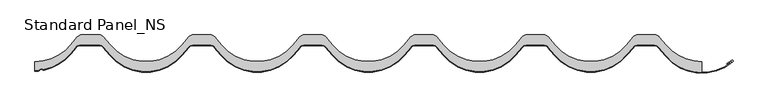
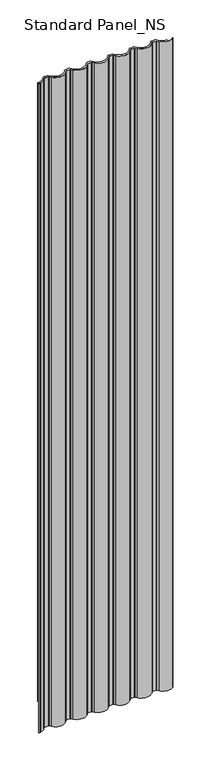
"""IFC4 building model written with IfcOpenShell, lengths in millimetres: proxy geometry, Standard Panel_NS."""

from ifc_helpers import new_model, si_unit, point, frame, frame_2d, origin, origin_with_axes, place, context, project, spatial, polyline, circle_curve, trimmed, segment, composite_curve, outline, extrude, source, transform, mapped, element, save


def standard_panel_ns_76dea0c3(model_context):
    return source(origin(), model_context, "Body", "SweptSolid", [
        extrude(outline(composite_curve([segment(polyline([(-445.9357723, -14.7894789), (-436.1486229, -3.1256084)]), True, "CONTINUOUS"), segment(trimmed(circle_curve(frame_2d((-429.445734, -8.75)), 8.75), [point((-436.1486229, -3.1256084))], [point((-429.445734, 0.0))], False, "CARTESIAN"), True, "CONTINUOUS"), segment(polyline([(-429.445734, 0.0), (-403.8880846, 0.0)]), True, "CONTINUOUS"), segment(trimmed(circle_curve(frame_2d((-403.8880846, -8.75)), 8.75), [point((-403.8880846, 0.0))], [point((-397.1851957, -3.1256084))], False, "CARTESIAN"), True, "CONTINUOUS"), segment(polyline([(-397.1851957, -3.1256084), (-387.3980463, -14.7894789)]), True, "CONTINUOUS"), segment(trimmed(circle_curve(frame_2d((-333.3339093, 30.5757185)), 70.5757185), [point((-387.3980463, -14.7894789))], [point((-279.2697723, -14.7894789))], True, "CARTESIAN"), True, "CONTINUOUS"), segment(polyline([(-279.2697723, -14.7894789), (-269.4826229, -3.1256084)]), True, "CONTINUOUS"), segment(trimmed(circle_curve(frame_2d((-262.779734, -8.75)), 8.75), [point((-269.4826229, -3.1256084))], [point((-262.779734, 0.0))], False, "CARTESIAN"), True, "CONTINUOUS"), segment(polyline([(-262.779734, 0.0), (-237.2220846, 0.0)]), True, "CONTINUOUS"), segment(trimmed(circle_curve(frame_2d((-237.2220846, -8.75)), 8.75), [point((-237.2220846, 0.0))], [point((-230.5191957, -3.1256084))], False, "CARTESIAN"), True, "CONTINUOUS"), segment(polyline([(-230.5191957, -3.1256084), (-220.7320463, -14.7894789)]), True, "CONTINUOUS"), segment(trimmed(circle_curve(frame_2d((-166.6679093, 30.5757185)), 70.5757185), [point((-220.7320463, -14.7894789))], [point((-112.6037723, -14.7894789))], True, "CARTESIAN"), True, "CONTINUOUS"), segment(polyline([(-112.6037723, -14.7894789), (-102.8166229, -3.1256084)]), True, "CONTINUOUS"), segment(trimmed(circle_curve(frame_2d((-96.113734, -8.75)), 8.75), [point((-102.8166229, -3.1256084))], [point((-96.113734, 0.0))], False, "CARTESIAN"), True, "CONTINUOUS"), segment(polyline([(-96.113734, 0.0), (-70.5560846, 0.0)]), True, "CONTINUOUS"), segment(trimmed(circle_curve(frame_2d((-70.5560846, -8.75)), 8.75), [point((-70.5560846, 0.0))], [point((-63.8531957, -3.1256084))], False, "CARTESIAN"), True, "CONTINUOUS"), segment(polyline([(-63.8531957, -3.1256084), (-54.0660463, -14.7894789)]), True, "CONTINUOUS"), segment(trimmed(circle_curve(frame_2d((-0.0019093, 30.5757185)), 70.5757185), [point((-54.0660463, -14.7894789))], [point((54.0622277, -14.7894789))], True, "CARTESIAN"), True, "CONTINUOUS"), segment(polyline([(54.0622277, -14.7894789), (63.8493771, -3.1256084)]), True, "CONTINUOUS"), segment(trimmed(circle_curve(frame_2d((70.552266, -8.75)), 8.75), [point((63.8493771, -3.1256084))], [point((70.552266, 0.0))], False, "CARTESIAN"), True, "CONTINUOUS"), segment(polyline([(70.552266, 0.0), (96.1099154, 0.0)]), True, "CONTINUOUS"), segment(trimmed(circle_curve(frame_2d((96.1099154, -8.75)), 8.75), [point((96.1099154, 0.0))], [point((102.8128043, -3.1256084))], False, "CARTESIAN"), True, "CONTINUOUS"), segment(polyline([(102.8128043, -3.1256084), (112.5999537, -14.7894789)]), True, "CONTINUOUS"), segment(trimmed(circle_curve(frame_2d((166.6640907, 30.5757185)), 70.5757185), [point((112.5999537, -14.7894789))], [point((220.7282277, -14.7894789))], True, "CARTESIAN"), True, "CONTINUOUS"), segment(polyline([(220.7282277, -14.7894789), (230.5153771, -3.1256084)]), True, "CONTINUOUS"), segment(trimmed(circle_curve(frame_2d((237.218266, -8.75)), 8.75), [point((230.5153771, -3.1256084))], [point((237.218266, 0.0))], False, "CARTESIAN"), True, "CONTINUOUS"), segment(polyline([(237.218266, 0.0), (262.7759154, 0.0)]), True, "CONTINUOUS"), segment(trimmed(circle_curve(frame_2d((262.7759154, -8.75)), 8.75), [point((262.7759154, 0.0))], [point((269.4788043, -3.1256084))], False, "CARTESIAN"), True, "CONTINUOUS"), segment(polyline([(269.4788043, -3.1256084), (279.2659537, -14.7894789)]), True, "CONTINUOUS"), segment(trimmed(circle_curve(frame_2d((333.3300907, 30.5757185)), 70.5757185), [point((279.2659537, -14.7894789))], [point((387.3942277, -14.7894789))], True, "CARTESIAN"), True, "CONTINUOUS"), segment(polyline([(387.3942277, -14.7894789), (397.1813771, -3.1256084)]), True, "CONTINUOUS"), segment(trimmed(circle_curve(frame_2d((403.884266, -8.75)), 8.75), [point((397.1813771, -3.1256084))], [point((403.884266, 0.0))], False, "CARTESIAN"), True, "CONTINUOUS"), segment(polyline([(403.884266, 0.0), (429.4425754, 0.0)]), True, "CONTINUOUS"), segment(trimmed(circle_curve(frame_2d((429.4425754, -8.75)), 8.75), [point((429.4425754, 0.0))], [point((436.2053545, -3.1977644))], False, "CARTESIAN"), True, "CONTINUOUS"), segment(polyline([(436.2053545, -3.1977644), (445.9341202, -14.7912741)]), True, "CONTINUOUS"), segment(trimmed(circle_curve(frame_2d((499.9967507, 30.5757185)), 70.5757185), [point((445.9341202, -14.7912741))], [point((499.9999093, -39.9999999))], True, "CARTESIAN"), True, "CONTINUOUS"), segment(polyline([(499.9999093, -39.9999999), (499.9999093, -56.5627177)]), True, "CONTINUOUS"), segment(trimmed(circle_curve(frame_2d((499.996521, 13.5131508)), 70.0758685), [point((499.9999093, -56.5627177))], [point((446.3159032, -31.5314785))], False, "CARTESIAN"), True, "CONTINUOUS"), segment(polyline([(446.3159032, -31.5314785), (435.3078488, -18.412952)]), True, "CONTINUOUS"), segment(trimmed(circle_curve(frame_2d((427.9886198, -24.5546837)), 9.5546837), [point((435.3078488, -18.412952))], [point((427.9886198, -15.0))], True, "CARTESIAN"), True, "CONTINUOUS"), segment(polyline([(427.9886198, -15.0), (403.8841753, -15.0)]), True, "CONTINUOUS"), segment(trimmed(circle_curve(frame_2d((403.8841753, -24.25)), 9.25), [point((403.8841753, -15.0))], [point((396.7982642, -18.3042146))], True, "CARTESIAN"), True, "CONTINUOUS"), segment(polyline([(396.7982642, -18.3042146), (387.0111148, -29.9680851)]), True, "CONTINUOUS"), segment(trimmed(circle_curve(frame_2d((333.33, 15.0757185)), 70.0757185), [point((387.0111148, -29.9680851))], [point((279.6488852, -29.9680851))], False, "CARTESIAN"), True, "CONTINUOUS"), segment(polyline([(279.6488852, -29.9680851), (269.8617358, -18.3042146)]), True, "CONTINUOUS"), segment(trimmed(circle_curve(frame_2d((262.7758247, -24.25)), 9.25), [point((269.8617358, -18.3042146))], [point((262.7758247, -15.0))], True, "CARTESIAN"), True, "CONTINUOUS"), segment(polyline([(262.7758247, -15.0), (237.2181753, -15.0)]), True, "CONTINUOUS"), segment(trimmed(circle_curve(frame_2d((237.2181753, -24.25)), 9.25), [point((237.2181753, -15.0))], [point((230.1322642, -18.3042146))], True, "CARTESIAN"), True, "CONTINUOUS"), segment(polyline([(230.1322642, -18.3042146), (220.3451148, -29.9680851)]), True, "CONTINUOUS"), segment(trimmed(circle_curve(frame_2d((166.664, 15.0757185)), 70.0757185), [point((220.3451148, -29.9680851))], [point((112.9828852, -29.9680851))], False, "CARTESIAN"), True, "CONTINUOUS"), segment(polyline([(112.9828852, -29.9680851), (103.1957358, -18.3042146)]), True, "CONTINUOUS"), segment(trimmed(circle_curve(frame_2d((96.1098247, -24.25)), 9.25), [point((103.1957358, -18.3042146))], [point((96.1098247, -15.0))], True, "CARTESIAN"), True, "CONTINUOUS"), segment(polyline([(96.1098247, -15.0), (70.5521753, -15.0)]), True, "CONTINUOUS"), segment(trimmed(circle_curve(frame_2d((70.5521753, -24.25)), 9.25), [point((70.5521753, -15.0))], [point((63.4662642, -18.3042146))], True, "CARTESIAN"), True, "CONTINUOUS"), segment(polyline([(63.4662642, -18.3042146), (53.6791148, -29.9680851)]), True, "CONTINUOUS"), segment(trimmed(circle_curve(frame_2d((-0.002, 15.0757185)), 70.0757185), [point((53.6791148, -29.9680851))], [point((-53.6831148, -29.9680851))], False, "CARTESIAN"), True, "CONTINUOUS"), segment(polyline([(-53.6831148, -29.9680851), (-63.4702642, -18.3042146)]), True, "CONTINUOUS"), segment(trimmed(circle_curve(frame_2d((-70.5561753, -24.25)), 9.25), [point((-63.4702642, -18.3042146))], [point((-70.5561753, -15.0))], True, "CARTESIAN"), True, "CONTINUOUS"), segment(polyline([(-70.5561753, -15.0), (-96.1138247, -15.0)]), True, "CONTINUOUS"), segment(trimmed(circle_curve(frame_2d((-96.1138247, -24.25)), 9.25), [point((-96.1138247, -15.0))], [point((-103.1997358, -18.3042146))], True, "CARTESIAN"), True, "CONTINUOUS"), segment(polyline([(-103.1997358, -18.3042146), (-112.9868852, -29.9680851)]), True, "CONTINUOUS"), segment(trimmed(circle_curve(frame_2d((-166.668, 15.0757185)), 70.0757185), [point((-112.9868852, -29.9680851))], [point((-220.3491148, -29.9680851))], False, "CARTESIAN"), True, "CONTINUOUS"), segment(polyline([(-220.3491148, -29.9680851), (-230.1362642, -18.3042146)]), True, "CONTINUOUS"), segment(trimmed(circle_curve(frame_2d((-237.2221753, -24.25)), 9.25), [point((-230.1362642, -18.3042146))], [point((-237.2221753, -15.0))], True, "CARTESIAN"), True, "CONTINUOUS"), segment(polyline([(-237.2221753, -15.0), (-262.7798247, -15.0)]), True, "CONTINUOUS"), segment(trimmed(circle_curve(frame_2d((-262.7798247, -24.25)), 9.25), [point((-262.7798247, -15.0))], [point((-269.8657358, -18.3042146))], True, "CARTESIAN"), True, "CONTINUOUS"), segment(polyline([(-269.8657358, -18.3042146), (-279.6528852, -29.9680851)]), True, "CONTINUOUS"), segment(trimmed(circle_curve(frame_2d((-333.334, 15.0757185)), 70.0757185), [point((-279.6528852, -29.9680851))], [point((-387.0151148, -29.9680851))], False, "CARTESIAN"), True, "CONTINUOUS"), segment(polyline([(-387.0151148, -29.9680851), (-396.8022642, -18.3042146)]), True, "CONTINUOUS"), segment(trimmed(circle_curve(frame_2d((-403.8881753, -24.25)), 9.25), [point((-396.8022642, -18.3042146))], [point((-403.8881753, -15.0))], True, "CARTESIAN"), True, "CONTINUOUS"), segment(polyline([(-403.8881753, -15.0), (-431.8806851, -15.0)]), True, "CONTINUOUS"), segment(trimmed(circle_curve(frame_2d((-431.8806851, -24.25)), 9.25), [point((-431.8806851, -15.0))], [point((-438.9665962, -18.3042146))], True, "CARTESIAN"), True, "CONTINUOUS"), segment(trimmed(circle_curve(frame_2d((987.1713371, -1214.9760284)), 1861.6908536), [point((-438.9665962, -18.3042146))], [point((-447.2982034, -28.3042238))], True, "CARTESIAN"), True, "CONTINUOUS"), segment(trimmed(circle_curve(frame_2d((-500.2495937, 15.5000677)), 68.7216537), [point((-447.2982034, -28.3042238))], [point((-486.0111787, -51.7303809))], False, "CARTESIAN"), True, "CONTINUOUS"), segment(trimmed(circle_curve(frame_2d((-486.596017, -48.9689117)), 2.82272), [point((-486.0111787, -51.7303809))], [point((-488.0869852, -51.365735))], False, "CARTESIAN"), True, "CONTINUOUS"), segment(trimmed(circle_curve(frame_2d((-490.3061485, -54.8018214)), 4.0904004), [point((-488.0869852, -51.365735))], [point((-493.4260619, -52.1565397))], True, "CARTESIAN"), True, "CONTINUOUS"), segment(trimmed(circle_curve(frame_2d((-495.5188215, -50.4050302)), 2.7289977), [point((-493.4260619, -52.1565397))], [point((-495.2868953, -53.1241548))], False, "CARTESIAN"), True, "CONTINUOUS"), segment(trimmed(circle_curve(frame_2d((-500.0, 16.7775841)), 70.0604486), [point((-495.2868953, -53.1241548))], [point((-499.9999093, -53.2828645))], False, "CARTESIAN"), True, "CONTINUOUS"), segment(polyline([(-499.9999093, -53.2828645), (-499.9999093, -40.0)]), True, "CONTINUOUS"), segment(trimmed(circle_curve(frame_2d((-499.9999093, 30.5757185)), 70.5757185), [point((-499.9999093, -40.0))], [point((-445.9357723, -14.7894789))], True, "CARTESIAN"), True, "CONTINUOUS")], self_intersect=False)), origin_with_axes(), (0.0, 0.0, 1.0), 5055.937104),
        extrude(outline(composite_curve([segment(trimmed(circle_curve(frame_2d((-495.5188215, -50.4050302)), 2.7289977), [point((-495.2868953, -53.1241548))], [point((-493.4260619, -52.1565397))], True, "CARTESIAN"), True, "CONTINUOUS"), segment(trimmed(circle_curve(frame_2d((-490.3061485, -54.8018214)), 4.0904004), [point((-493.4260619, -52.1565397))], [point((-488.0869852, -51.365735))], False, "CARTESIAN"), True, "CONTINUOUS"), segment(trimmed(circle_curve(frame_2d((-486.596017, -48.9689117)), 2.82272), [point((-488.0869852, -51.365735))], [point((-486.0111787, -51.7303809))], True, "CARTESIAN"), True, "CONTINUOUS"), segment(trimmed(circle_curve(frame_2d((-500.2495937, 15.5000677)), 68.7216537), [point((-486.0111787, -51.7303809))], [point((-447.2982034, -28.3042238))], True, "CARTESIAN"), True, "CONTINUOUS"), segment(trimmed(circle_curve(frame_2d((987.1713371, -1214.9760284)), 1861.6908536), [point((-447.2982034, -28.3042238))], [point((-438.9665962, -18.3042146))], False, "CARTESIAN"), True, "CONTINUOUS"), segment(trimmed(circle_curve(frame_2d((-431.8806851, -24.25)), 9.25), [point((-438.9665962, -18.3042146))], [point((-431.8806851, -15.0))], False, "CARTESIAN"), True, "CONTINUOUS"), segment(polyline([(-431.8806851, -15.0), (-403.8881753, -15.0)]), True, "CONTINUOUS"), segment(trimmed(circle_curve(frame_2d((-403.8881753, -24.25)), 9.25), [point((-403.8881753, -15.0))], [point((-396.8022642, -18.3042146))], False, "CARTESIAN"), True, "CONTINUOUS"), segment(polyline([(-396.8022642, -18.3042146), (-387.0151148, -29.9680851)]), True, "CONTINUOUS"), segment(trimmed(circle_curve(frame_2d((-333.334, 15.0757185)), 70.0757185), [point((-387.0151148, -29.9680851))], [point((-279.6528852, -29.9680851))], True, "CARTESIAN"), True, "CONTINUOUS"), segment(polyline([(-279.6528852, -29.9680851), (-269.8657358, -18.3042146)]), True, "CONTINUOUS"), segment(trimmed(circle_curve(frame_2d((-262.7798247, -24.25)), 9.25), [point((-269.8657358, -18.3042146))], [point((-262.7798247, -15.0))], False, "CARTESIAN"), True, "CONTINUOUS"), segment(polyline([(-262.7798247, -15.0), (-237.2221753, -15.0)]), True, "CONTINUOUS"), segment(trimmed(circle_curve(frame_2d((-237.2221753, -24.25)), 9.25), [point((-237.2221753, -15.0))], [point((-230.1362642, -18.3042146))], False, "CARTESIAN"), True, "CONTINUOUS"), segment(polyline([(-230.1362642, -18.3042146), (-220.3491148, -29.9680851)]), True, "CONTINUOUS"), segment(trimmed(circle_curve(frame_2d((-166.668, 15.0757185)), 70.0757185), [point((-220.3491148, -29.9680851))], [point((-112.9868852, -29.9680851))], True, "CARTESIAN"), True, "CONTINUOUS"), segment(polyline([(-112.9868852, -29.9680851), (-103.1997358, -18.3042146)]), True, "CONTINUOUS"), segment(trimmed(circle_curve(frame_2d((-96.1138247, -24.25)), 9.25), [point((-103.1997358, -18.3042146))], [point((-96.1138247, -15.0))], False, "CARTESIAN"), True, "CONTINUOUS"), segment(polyline([(-96.1138247, -15.0), (-70.5561753, -15.0)]), True, "CONTINUOUS"), segment(trimmed(circle_curve(frame_2d((-70.5561753, -24.25)), 9.25), [point((-70.5561753, -15.0))], [point((-63.4702642, -18.3042146))], False, "CARTESIAN"), True, "CONTINUOUS"), segment(polyline([(-63.4702642, -18.3042146), (-53.6831148, -29.9680851)]), True, "CONTINUOUS"), segment(trimmed(circle_curve(frame_2d((-0.002, 15.0757185)), 70.0757185), [point((-53.6831148, -29.9680851))], [point((53.6791148, -29.9680851))], True, "CARTESIAN"), True, "CONTINUOUS"), segment(polyline([(53.6791148, -29.9680851), (63.4662642, -18.3042146)]), True, "CONTINUOUS"), segment(trimmed(circle_curve(frame_2d((70.5521753, -24.25)), 9.25), [point((63.4662642, -18.3042146))], [point((70.5521753, -15.0))], False, "CARTESIAN"), True, "CONTINUOUS"), segment(polyline([(70.5521753, -15.0), (96.1098247, -15.0)]), True, "CONTINUOUS"), segment(trimmed(circle_curve(frame_2d((96.1098247, -24.25)), 9.25), [point((96.1098247, -15.0))], [point((103.1957358, -18.3042146))], False, "CARTESIAN"), True, "CONTINUOUS"), segment(polyline([(103.1957358, -18.3042146), (112.9828852, -29.9680851)]), True, "CONTINUOUS"), segment(trimmed(circle_curve(frame_2d((166.664, 15.0757185)), 70.0757185), [point((112.9828852, -29.9680851))], [point((220.3451148, -29.9680851))], True, "CARTESIAN"), True, "CONTINUOUS"), segment(polyline([(220.3451148, -29.9680851), (230.1322642, -18.3042146)]), True, "CONTINUOUS"), segment(trimmed(circle_curve(frame_2d((237.2181753, -24.25)), 9.25), [point((230.1322642, -18.3042146))], [point((237.2181753, -15.0))], False, "CARTESIAN"), True, "CONTINUOUS"), segment(polyline([(237.2181753, -15.0), (262.7758247, -15.0)]), True, "CONTINUOUS"), segment(trimmed(circle_curve(frame_2d((262.7758247, -24.25)), 9.25), [point((262.7758247, -15.0))], [point((269.8617358, -18.3042146))], False, "CARTESIAN"), True, "CONTINUOUS"), segment(polyline([(269.8617358, -18.3042146), (279.6488852, -29.9680851)]), True, "CONTINUOUS"), segment(trimmed(circle_curve(frame_2d((333.33, 15.0757185)), 70.0757185), [point((279.6488852, -29.9680851))], [point((387.0111148, -29.9680851))], True, "CARTESIAN"), True, "CONTINUOUS"), segment(polyline([(387.0111148, -29.9680851), (396.7982642, -18.3042146)]), True, "CONTINUOUS"), segment(trimmed(circle_curve(frame_2d((403.8841753, -24.25)), 9.25), [point((396.7982642, -18.3042146))], [point((403.8841753, -15.0))], False, "CARTESIAN"), True, "CONTINUOUS"), segment(polyline([(403.8841753, -15.0), (427.9886198, -15.0)]), True, "CONTINUOUS"), segment(trimmed(circle_curve(frame_2d((427.9886198, -24.5546837)), 9.5546837), [point((427.9886198, -15.0))], [point((435.3078488, -18.412952))], False, "CARTESIAN"), True, "CONTINUOUS"), segment(polyline([(435.3078488, -18.412952), (446.3159032, -31.5314785)]), True, "CONTINUOUS"), segment(trimmed(circle_curve(frame_2d((499.996521, 13.5131508)), 70.0758685), [point((446.3159032, -31.5314785))], [point((545.7576616, -39.5579841))], True, "CARTESIAN"), True, "CONTINUOUS"), segment(trimmed(circle_curve(frame_2d((545.510792, -39.3124043)), 0.3482155), [point((545.7576616, -39.5579841))], [point((545.2774084, -39.0539742))], True, "CARTESIAN"), True, "CONTINUOUS"), segment(polyline([(545.2774084, -39.0539742), (537.7639543, -44.2869139), (537.1924344, -43.4663257), (544.6709926, -38.2576901)]), True, "CONTINUOUS"), segment(trimmed(circle_curve(frame_2d((545.510792, -39.3124043)), 1.3482155), [point((544.6709926, -38.2576901))], [point((546.4302848, -40.2984155))], False, "CARTESIAN"), True, "CONTINUOUS"), segment(trimmed(circle_curve(frame_2d((499.996521, 13.5131508)), 71.0758685), [point((546.4302848, -40.2984155))], [point((445.5498675, -32.1742765))], False, "CARTESIAN"), True, "CONTINUOUS"), segment(polyline([(445.5498675, -32.1742765), (434.541813, -19.05575)]), True, "CONTINUOUS"), segment(trimmed(circle_curve(frame_2d((427.9886198, -24.5546837)), 8.5546837), [point((434.541813, -19.05575))], [point((427.9886198, -16.0))], True, "CARTESIAN"), True, "CONTINUOUS"), segment(polyline([(427.9886198, -16.0), (403.8841753, -16.0)]), True, "CONTINUOUS"), segment(trimmed(circle_curve(frame_2d((403.8841753, -24.25)), 8.25), [point((403.8841753, -16.0))], [point((397.5643086, -18.9470022))], True, "CARTESIAN"), True, "CONTINUOUS"), segment(polyline([(397.5643086, -18.9470022), (387.7771592, -30.6108727)]), True, "CONTINUOUS"), segment(trimmed(circle_curve(frame_2d((333.33, 15.0757185)), 71.0757185), [point((387.7771592, -30.6108727))], [point((278.8828408, -30.6108727))], False, "CARTESIAN"), True, "CONTINUOUS"), segment(polyline([(278.8828408, -30.6108727), (269.0956914, -18.9470022)]), True, "CONTINUOUS"), segment(trimmed(circle_curve(frame_2d((262.7758247, -24.25)), 8.25), [point((269.0956914, -18.9470022))], [point((262.7758247, -16.0))], True, "CARTESIAN"), True, "CONTINUOUS"), segment(polyline([(262.7758247, -16.0), (237.2181753, -16.0)]), True, "CONTINUOUS"), segment(trimmed(circle_curve(frame_2d((237.2181753, -24.25)), 8.25), [point((237.2181753, -16.0))], [point((230.8983086, -18.9470022))], True, "CARTESIAN"), True, "CONTINUOUS"), segment(polyline([(230.8983086, -18.9470022), (221.1111592, -30.6108727)]), True, "CONTINUOUS"), segment(trimmed(circle_curve(frame_2d((166.664, 15.0757185)), 71.0757185), [point((221.1111592, -30.6108727))], [point((112.2168408, -30.6108727))], False, "CARTESIAN"), True, "CONTINUOUS"), segment(polyline([(112.2168408, -30.6108727), (102.4296914, -18.9470022)]), True, "CONTINUOUS"), segment(trimmed(circle_curve(frame_2d((96.1098247, -24.25)), 8.25), [point((102.4296914, -18.9470022))], [point((96.1098247, -16.0))], True, "CARTESIAN"), True, "CONTINUOUS"), segment(polyline([(96.1098247, -16.0), (70.5521753, -16.0)]), True, "CONTINUOUS"), segment(trimmed(circle_curve(frame_2d((70.5521753, -24.25)), 8.25), [point((70.5521753, -16.0))], [point((64.2323086, -18.9470022))], True, "CARTESIAN"), True, "CONTINUOUS"), segment(polyline([(64.2323086, -18.9470022), (54.4451592, -30.6108727)]), True, "CONTINUOUS"), segment(trimmed(circle_curve(frame_2d((-0.002, 15.0757185)), 71.0757185), [point((54.4451592, -30.6108727))], [point((-54.4491592, -30.6108727))], False, "CARTESIAN"), True, "CONTINUOUS"), segment(polyline([(-54.4491592, -30.6108727), (-64.2363086, -18.9470022)]), True, "CONTINUOUS"), segment(trimmed(circle_curve(frame_2d((-70.5561753, -24.25)), 8.25), [point((-64.2363086, -18.9470022))], [point((-70.5561753, -16.0))], True, "CARTESIAN"), True, "CONTINUOUS"), segment(polyline([(-70.5561753, -16.0), (-96.1138247, -16.0)]), True, "CONTINUOUS"), segment(trimmed(circle_curve(frame_2d((-96.1138247, -24.25)), 8.25), [point((-96.1138247, -16.0))], [point((-102.4336914, -18.9470022))], True, "CARTESIAN"), True, "CONTINUOUS"), segment(polyline([(-102.4336914, -18.9470022), (-112.2208408, -30.6108727)]), True, "CONTINUOUS"), segment(trimmed(circle_curve(frame_2d((-166.668, 15.0757185)), 71.0757185), [point((-112.2208408, -30.6108727))], [point((-221.1151592, -30.6108727))], False, "CARTESIAN"), True, "CONTINUOUS"), segment(polyline([(-221.1151592, -30.6108727), (-230.9023086, -18.9470022)]), True, "CONTINUOUS"), segment(trimmed(circle_curve(frame_2d((-237.2221753, -24.25)), 8.25), [point((-230.9023086, -18.9470022))], [point((-237.2221753, -16.0))], True, "CARTESIAN"), True, "CONTINUOUS"), segment(polyline([(-237.2221753, -16.0), (-262.7798247, -16.0)]), True, "CONTINUOUS"), segment(trimmed(circle_curve(frame_2d((-262.7798247, -24.25)), 8.25), [point((-262.7798247, -16.0))], [point((-269.0996914, -18.9470022))], True, "CARTESIAN"), True, "CONTINUOUS"), segment(polyline([(-269.0996914, -18.9470022), (-278.8868408, -30.6108727)]), True, "CONTINUOUS"), segment(trimmed(circle_curve(frame_2d((-333.334, 15.0757185)), 71.0757185), [point((-278.8868408, -30.6108727))], [point((-387.7811592, -30.6108727))], False, "CARTESIAN"), True, "CONTINUOUS"), segment(polyline([(-387.7811592, -30.6108727), (-397.5683086, -18.9470022)]), True, "CONTINUOUS"), segment(trimmed(circle_curve(frame_2d((-403.8881753, -24.25)), 8.25), [point((-397.5683086, -18.9470022))], [point((-403.8881753, -16.0))], True, "CARTESIAN"), True, "CONTINUOUS"), segment(polyline([(-403.8881753, -16.0), (-431.8806851, -16.0)]), True, "CONTINUOUS"), segment(trimmed(circle_curve(frame_2d((-431.8806851, -24.25)), 8.25), [point((-431.8806851, -16.0))], [point((-438.2005517, -18.9470022))], True, "CARTESIAN"), True, "CONTINUOUS"), segment(trimmed(circle_curve(frame_2d((987.1713371, -1214.9760284)), 1860.6908536), [point((-438.2005517, -18.9470022))], [point((-446.5276837, -28.9416399))], True, "CARTESIAN"), True, "CONTINUOUS"), segment(trimmed(circle_curve(frame_2d((-500.2495937, 15.5000677)), 69.7216537), [point((-446.5276837, -28.9416399))], [point((-485.803989, -52.7086817))], False, "CARTESIAN"), True, "CONTINUOUS"), segment(trimmed(circle_curve(frame_2d((-486.6092664, -49.0295873)), 3.7661926), [point((-485.803989, -52.7086817))], [point((-488.6436121, -52.1990738))], False, "CARTESIAN"), True, "CONTINUOUS"), segment(trimmed(circle_curve(frame_2d((-490.303811, -54.8033042)), 3.08841), [point((-488.6436121, -52.1990738))], [point((-492.6656061, -52.8132791))], True, "CARTESIAN"), True, "CONTINUOUS"), segment(trimmed(circle_curve(frame_2d((-495.5123422, -50.4045238)), 3.7290761), [point((-492.6656061, -52.8132791))], [point((-495.2112026, -54.1214208))], False, "CARTESIAN"), True, "CONTINUOUS"), segment(trimmed(circle_curve(frame_2d((-500.0, 16.7771098)), 71.0600747), [point((-495.2112026, -54.1214208))], [point((-500.0, -54.2829649))], False, "CARTESIAN"), True, "CONTINUOUS"), segment(polyline([(-500.0, -54.2829649), (-500.0, -53.2828645)]), True, "CONTINUOUS"), segment(trimmed(circle_curve(frame_2d((-500.0, 16.7775841)), 70.0604486), [point((-500.0, -53.2828645))], [point((-495.2868953, -53.1241548))], True, "CARTESIAN"), True, "CONTINUOUS")], self_intersect=False)), frame((0.0, 0.0, -250.0), z_axis=(0.0, 0.0, 1.0), x_axis=(1.0, 0.0, 0.0)), (0.0, 0.0, 1.0), 5305.937104),
    ])


if __name__ == "__main__":
    model = new_model("IFC4")
    model_context = context("Model", 3, world=origin())
    ifc_project = project(units=[si_unit("LENGTHUNIT", "METRE", prefix="MILLI")], contexts=[model_context])
    site = spatial("IfcSite", under=ifc_project)
    building = spatial("IfcBuilding", under=site)
    placement = place(None, origin())
    standard_panel_ns_shape = standard_panel_ns_76dea0c3(model_context)
    element("IfcBuildingElementProxy", 1, Name="Standard Panel_NS", ObjectType="Standard Panel_NS", at=placement, inside=building, context=model_context, shape_type="MappedRepresentation", body=[
        mapped(standard_panel_ns_shape, transform((0.0, 0.0, 0.0), x_axis=(1.0, 0.0, 0.0), y_axis=(0.0, 1.0, 0.0), z_axis=(0.0, 0.0, 1.0))),
    ])
    save(model, "model.ifc")
